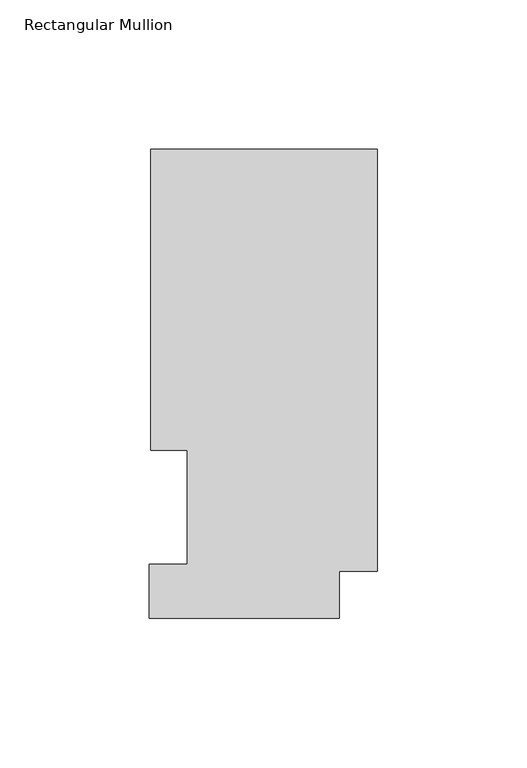
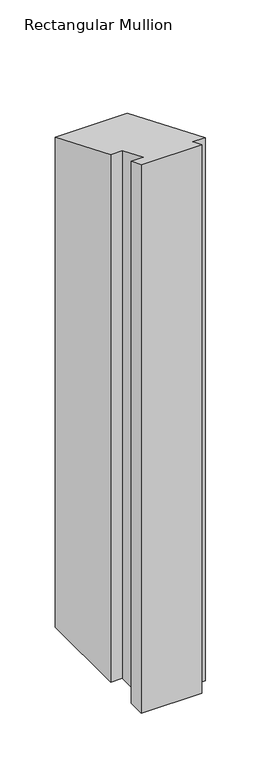
"""IFC4 building model written with IfcOpenShell, lengths in millimetres: member geometry, Rectangular Mullion."""

from ifc_helpers import new_model, si_unit, origin, place, context, project, spatial, faceted_brep, source, transform, mapped, element, save


def rectangular_mullion_7e8523bf(model_context):
    return source(origin(), model_context, "Body", "Brep", [
        faceted_brep([(-75.7936, 157.3395063, -609.6), (0.0, 157.3395063, -609.6), (0.0, 16.1663063, -609.6), (-12.7, 16.1663063, -609.6), (-12.7, 0.5199063, -609.6), (-76.2, 0.5199063, -609.6), (-76.2, 18.5539063, -609.6), (-63.5, 18.5539063, -609.6), (-63.5, 56.6539063, -609.6), (-75.7936, 56.6539063, -609.6), (-75.7936, 56.6539063, -23.4668163), (-75.7936, 157.3395063, -65.1721574), (-63.5, 56.6539063, -23.4668163), (-63.5, 18.5539063, -7.6852796), (-76.2, 18.5539063, -7.6852796), (-76.2, 0.5199063, -0.2153522), (-12.7, 0.5199063, -0.2153522), (-12.7, 16.1663063, -6.6963033), (0.0, 16.1663063, -6.6963033), (0.0, 157.3395063, -65.1721574)], [[[0, 1, 2, 3, 4, 5, 6, 7, 8, 9]], [[10, 11, 0, 9]], [[12, 10, 9, 8]], [[13, 12, 8, 7]], [[14, 13, 7, 6]], [[15, 14, 6, 5]], [[16, 15, 5, 4]], [[17, 16, 4, 3]], [[18, 17, 3, 2]], [[19, 18, 2, 1]], [[11, 19, 1, 0]], [[11, 10, 12, 13, 14, 15, 16, 17, 18, 19]]]),
    ])


if __name__ == "__main__":
    model = new_model("IFC4")
    model_context = context("Model", 3, world=origin())
    ifc_project = project(units=[si_unit("LENGTHUNIT", "METRE", prefix="MILLI")], contexts=[model_context])
    site = spatial("IfcSite", under=ifc_project)
    building = spatial("IfcBuilding", under=site)
    placement = place(None, origin())
    rectangular_mullion_shape = rectangular_mullion_7e8523bf(model_context)
    element("IfcMember", 1, ObjectType="Rectangular Mullion", at=placement, inside=building, context=model_context, shape_type="MappedRepresentation", body=[
        mapped(rectangular_mullion_shape, transform((0.0, 0.0, 0.0), x_axis=(1.0, 0.0, 0.0), y_axis=(0.0, 1.0, 0.0), z_axis=(0.0, 0.0, 1.0))),
    ])
    save(model, "model.ifc")
